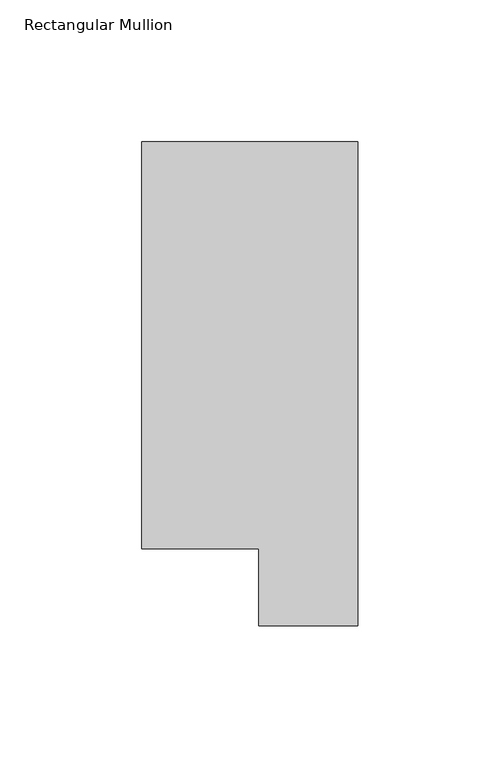
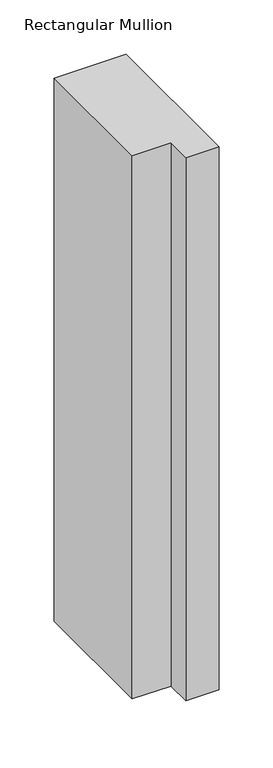
"""IFC4 building model written with IfcOpenShell, lengths in millimetres: member geometry, Rectangular Mullion."""

import ifcopenshell
import ifcopenshell.guid

model = None  # the IFC model being written
_history = None  # IfcOwnerHistory: only IFC2X3 demands one
_inside = {}  # id of a spatial element -> (the spatial element, [elements in it])
_under = {}  # id of a project, library or spatial element -> (it, [spatial elements below it])
_declared = {}  # id of a project -> (the project, [libraries it declares])
_typed = {}  # id of a type object -> (the type object, [elements of that type])
_made_of = {}  # id of a material, layer set ... -> (it, [elements and type objects made of it])


def new_model(schema):
    """Start an empty IFC model of exactly this schema.

    Asked for "IFC4X3", IfcOpenShell would pick the latest addendum, in which some entities
    have other attributes; the version numbers below select the first issue.
    IFC2X3 requires an IfcOwnerHistory on every rooted entity: one is made here for all.
    """
    global model, _history
    if schema == "IFC4X3":
        model = ifcopenshell.file(schema_version=(4, 3, 0, 0))
    else:
        model = ifcopenshell.file(schema=schema)
    _inside.clear()
    _under.clear()
    _declared.clear()
    _typed.clear()
    _made_of.clear()
    _history = None
    if model.schema == "IFC2X3":
        org = make("IfcOrganization", Name="unknown")
        user = make(
            "IfcPersonAndOrganization",
            ThePerson=make("IfcPerson", FamilyName="unknown"),
            TheOrganization=org,
        )
        app = make(
            "IfcApplication",
            ApplicationDeveloper=org,
            Version="unknown",
            ApplicationFullName="unknown",
            ApplicationIdentifier="unknown",
        )
        _history = make(
            "IfcOwnerHistory",
            OwningUser=user,
            OwningApplication=app,
            ChangeAction="ADDED",
            CreationDate=0,
        )
    return model


def make(cls, **values):
    """One entity of the class cls with the attributes given. An attribute that is None is left unset."""
    return model.create_entity(
        cls, **{name: value for name, value in values.items() if value is not None}
    )


def rooted(cls, **values):
    """An entity with a GlobalId (a new one), such as an element, a storey or a relation."""
    return make(cls, GlobalId=ifcopenshell.guid.new(), OwnerHistory=_history, **values)


def si_unit(unit_type, name, prefix=None):
    """IfcSIUnit, for example si_unit("LENGTHUNIT", "METRE", prefix="MILLI")."""
    return make("IfcSIUnit", UnitType=unit_type, Prefix=prefix, Name=name)


def assignment(units):
    """IfcUnitAssignment: the units of a project."""
    return None if units is None else make("IfcUnitAssignment", Units=units)


def point(xyz):
    """IfcCartesianPoint."""
    return None if xyz is None else make("IfcCartesianPoint", Coordinates=xyz)


def direction(xyz):
    """IfcDirection."""
    return None if xyz is None else make("IfcDirection", DirectionRatios=xyz)


def frame(location, z_axis=None, x_axis=None):
    """IfcAxis2Placement3D, a coordinate frame: its origin and axes. An axis left out is left unset."""
    return make(
        "IfcAxis2Placement3D",
        Location=point(location),
        Axis=direction(z_axis),
        RefDirection=direction(x_axis),
    )


def origin():
    """The frame at (0, 0, 0) with its axes left unset."""
    return frame((0.0, 0.0, 0.0))


def place(relative_to, where):
    """IfcLocalPlacement: puts the frame where relative to a parent placement (None: the world)."""
    return make(
        "IfcLocalPlacement", PlacementRelTo=relative_to, RelativePlacement=where
    )


def context(
    kind, dimensions, precision=None, world=None, true_north=None, identifier=None
):
    """IfcGeometricRepresentationContext, for example the 3D "Model" context."""
    return make(
        "IfcGeometricRepresentationContext",
        ContextIdentifier=identifier,
        ContextType=kind,
        CoordinateSpaceDimension=dimensions,
        Precision=precision,
        WorldCoordinateSystem=world,
        TrueNorth=true_north,
    )


def project(units=None, contexts=None):
    """IfcProject with its units and contexts."""
    return rooted(
        "IfcProject",
        Name="project",
        RepresentationContexts=contexts,
        UnitsInContext=assignment(units),
    )


def spatial(cls, under=None, at=None, **own):
    """A site, building, storey or space (cls), placed at a placement, below another one or the project."""
    s = rooted(cls, ObjectPlacement=at, **own)
    if under is not None:
        _under.setdefault(under.id(), (under, []))[1].append(s)
    return s


def polyline(points):
    """IfcPolyline through the points."""
    return make("IfcPolyline", Points=[point(p) for p in points])


def outline(outer, holes=None, kind="AREA"):
    """IfcArbitraryClosedProfileDef: a profile drawn as a closed curve; with holes, ...WithVoids."""
    if holes is None:
        return make("IfcArbitraryClosedProfileDef", ProfileType=kind, OuterCurve=outer)
    return make(
        "IfcArbitraryProfileDefWithVoids",
        ProfileType=kind,
        OuterCurve=outer,
        InnerCurves=holes,
    )


def extrude(swept, where, along, depth):
    """IfcExtrudedAreaSolid: the profile swept, set in the frame where, extruded along a direction by depth."""
    return make(
        "IfcExtrudedAreaSolid",
        SweptArea=swept,
        Position=where,
        ExtrudedDirection=direction(along),
        Depth=depth,
    )


def shape(context_of_items, identifier, shape_type, items):
    """IfcShapeRepresentation: the items that make up one representation, for example the "Body"."""
    return make(
        "IfcShapeRepresentation",
        ContextOfItems=context_of_items,
        RepresentationIdentifier=identifier,
        RepresentationType=shape_type,
        Items=items,
    )


def source(mapping_origin, context_of_items, identifier, shape_type, items):
    """IfcRepresentationMap: a shape defined once, which mapped items show again and again."""
    return make(
        "IfcRepresentationMap",
        MappingOrigin=mapping_origin,
        MappedRepresentation=shape(context_of_items, identifier, shape_type, items),
    )


def transform(
    local_origin,
    x_axis=None,
    y_axis=None,
    z_axis=None,
    scale=None,
    scale2=None,
    scale3=None,
    uniform=True,
):
    """IfcCartesianTransformationOperator3D, or its non-uniform kind. x_axis, y_axis, z_axis: its Axis1, 2, 3."""
    if uniform:
        return make(
            "IfcCartesianTransformationOperator3D",
            Axis1=direction(x_axis),
            Axis2=direction(y_axis),
            LocalOrigin=point(local_origin),
            Scale=scale,
            Axis3=direction(z_axis),
        )
    return make(
        "IfcCartesianTransformationOperator3DnonUniform",
        Axis1=direction(x_axis),
        Axis2=direction(y_axis),
        LocalOrigin=point(local_origin),
        Scale=scale,
        Axis3=direction(z_axis),
        Scale2=scale2,
        Scale3=scale3,
    )


def mapped(mapping_source, mapping_target):
    """IfcMappedItem: shows the shape of a source again, moved by a transform."""
    return make(
        "IfcMappedItem", MappingSource=mapping_source, MappingTarget=mapping_target
    )


def made_of(thing, what):
    """Note that an element or type object is made of a material, layer set ...; save() writes the relation."""
    if what is not None:
        _made_of.setdefault(what.id(), (what, []))[1].append(thing)
    return thing


def element(
    cls,
    number,
    at=None,
    inside=None,
    cuts=None,
    type_object=None,
    material=None,
    context=None,
    identifier="Body",
    shape_type=None,
    held_by="IfcProductDefinitionShape",
    body=None,
    shapes=None,
    **own,
):
    """One element of the class cls, such as IfcWall. Its Tag is "e" and its number.

    at: its placement. inside: the storey or other place that contains it. cuts: it is an
    opening in that element (IfcRelVoidsElement). A single representation is given by context,
    identifier, shape_type and body (its items); several are given by shapes. held_by: the class
    of the entity that holds the representations. save() writes the other relations.
    """
    e = rooted(cls, Tag="e%d" % number, ObjectPlacement=at, **own)
    if body is not None:
        shapes = [shape(context, identifier, shape_type, body)]
    if shapes is not None:
        e.Representation = make(held_by, Representations=shapes)
    if inside is not None:
        _inside.setdefault(inside.id(), (inside, []))[1].append(e)
    if cuts is not None:
        rooted(
            "IfcRelVoidsElement", RelatingBuildingElement=cuts, RelatedOpeningElement=e
        )
    if type_object is not None:
        _typed.setdefault(type_object.id(), (type_object, []))[1].append(e)
    return made_of(e, material)


def aggregate(whole, parts):
    """IfcRelAggregates: a whole, such as a stair, and the parts it consists of."""
    return rooted("IfcRelAggregates", RelatingObject=whole, RelatedObjects=parts)


def save(model, path):
    """Write the relations noted so far, then the file.

    IfcRelAggregates (storeys below a building ...), IfcRelContainedInSpatialStructure (elements
    in a storey), IfcRelDefinesByType, IfcRelAssociatesMaterial and IfcRelDeclares: one each for
    every whole, place, type object, material and project.
    """
    for whole, parts in _under.values():
        aggregate(whole, parts)
    for where, things in _inside.values():
        rooted(
            "IfcRelContainedInSpatialStructure",
            RelatedElements=things,
            RelatingStructure=where,
        )
    for kind, things in _typed.values():
        rooted("IfcRelDefinesByType", RelatedObjects=things, RelatingType=kind)
    for what, things in _made_of.values():
        rooted("IfcRelAssociatesMaterial", RelatedObjects=things, RelatingMaterial=what)
    for by, libraries in _declared.values():
        rooted("IfcRelDeclares", RelatingContext=by, RelatedDefinitions=libraries)
    model.write(path)


def rectangular_mullion_0f3aabf6(model_context):
    return source(origin(), model_context, "Body", "SweptSolid", [
        extrude(outline(polyline([(0.0, 190.2801312), (0.0, 19.5667312), (-34.9123, 19.5667312), (-34.9123, 46.7447302), (-76.2, 46.7447302), (-76.2, 190.2801312), (0.0, 190.2801312)])), frame((0.0, 0.0, -609.6), z_axis=(0.0, 0.0, 1.0), x_axis=(1.0, 0.0, 0.0)), (0.0, 0.0, 1.0), 609.6),
    ])


if __name__ == "__main__":
    model = new_model("IFC4")
    model_context = context("Model", 3, world=origin())
    ifc_project = project(units=[si_unit("LENGTHUNIT", "METRE", prefix="MILLI")], contexts=[model_context])
    site = spatial("IfcSite", under=ifc_project)
    building = spatial("IfcBuilding", under=site)
    placement = place(None, origin())
    rectangular_mullion_shape = rectangular_mullion_0f3aabf6(model_context)
    element("IfcMember", 1, ObjectType="Rectangular Mullion", at=placement, inside=building, context=model_context, shape_type="MappedRepresentation", body=[
        mapped(rectangular_mullion_shape, transform((0.0, 0.0, 0.0), x_axis=(1.0, 0.0, 0.0), y_axis=(0.0, 1.0, 0.0), z_axis=(0.0, 0.0, 1.0))),
    ])
    save(model, "model.ifc")
